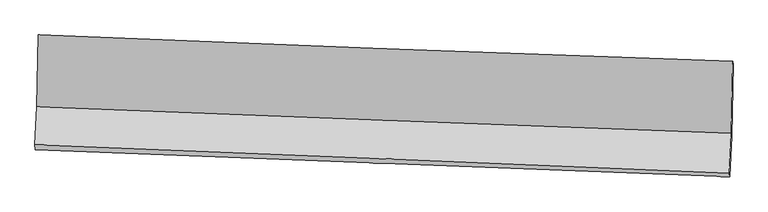
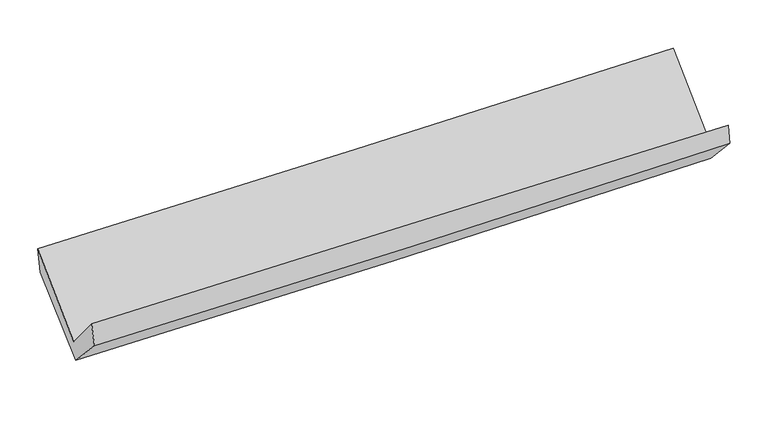
"""IFC4 building model written with IfcOpenShell, lengths in millimetres: proxy geometry."""

import ifcopenshell
import ifcopenshell.guid

model = None  # the IFC model being written
_history = None  # IfcOwnerHistory: only IFC2X3 demands one
_inside = {}  # id of a spatial element -> (the spatial element, [elements in it])
_under = {}  # id of a project, library or spatial element -> (it, [spatial elements below it])
_declared = {}  # id of a project -> (the project, [libraries it declares])
_typed = {}  # id of a type object -> (the type object, [elements of that type])
_made_of = {}  # id of a material, layer set ... -> (it, [elements and type objects made of it])


def new_model(schema):
    """Start an empty IFC model of exactly this schema.

    Asked for "IFC4X3", IfcOpenShell would pick the latest addendum, in which some entities
    have other attributes; the version numbers below select the first issue.
    IFC2X3 requires an IfcOwnerHistory on every rooted entity: one is made here for all.
    """
    global model, _history
    if schema == "IFC4X3":
        model = ifcopenshell.file(schema_version=(4, 3, 0, 0))
    else:
        model = ifcopenshell.file(schema=schema)
    _inside.clear()
    _under.clear()
    _declared.clear()
    _typed.clear()
    _made_of.clear()
    _history = None
    if model.schema == "IFC2X3":
        org = make("IfcOrganization", Name="unknown")
        user = make(
            "IfcPersonAndOrganization",
            ThePerson=make("IfcPerson", FamilyName="unknown"),
            TheOrganization=org,
        )
        app = make(
            "IfcApplication",
            ApplicationDeveloper=org,
            Version="unknown",
            ApplicationFullName="unknown",
            ApplicationIdentifier="unknown",
        )
        _history = make(
            "IfcOwnerHistory",
            OwningUser=user,
            OwningApplication=app,
            ChangeAction="ADDED",
            CreationDate=0,
        )
    return model


def make(cls, **values):
    """One entity of the class cls with the attributes given. An attribute that is None is left unset."""
    return model.create_entity(
        cls, **{name: value for name, value in values.items() if value is not None}
    )


def rooted(cls, **values):
    """An entity with a GlobalId (a new one), such as an element, a storey or a relation."""
    return make(cls, GlobalId=ifcopenshell.guid.new(), OwnerHistory=_history, **values)


def si_unit(unit_type, name, prefix=None):
    """IfcSIUnit, for example si_unit("LENGTHUNIT", "METRE", prefix="MILLI")."""
    return make("IfcSIUnit", UnitType=unit_type, Prefix=prefix, Name=name)


def assignment(units):
    """IfcUnitAssignment: the units of a project."""
    return None if units is None else make("IfcUnitAssignment", Units=units)


def point(xyz):
    """IfcCartesianPoint."""
    return None if xyz is None else make("IfcCartesianPoint", Coordinates=xyz)


def direction(xyz):
    """IfcDirection."""
    return None if xyz is None else make("IfcDirection", DirectionRatios=xyz)


def frame(location, z_axis=None, x_axis=None):
    """IfcAxis2Placement3D, a coordinate frame: its origin and axes. An axis left out is left unset."""
    return make(
        "IfcAxis2Placement3D",
        Location=point(location),
        Axis=direction(z_axis),
        RefDirection=direction(x_axis),
    )


def origin():
    """The frame at (0, 0, 0) with its axes left unset."""
    return frame((0.0, 0.0, 0.0))


def place(relative_to, where):
    """IfcLocalPlacement: puts the frame where relative to a parent placement (None: the world)."""
    return make(
        "IfcLocalPlacement", PlacementRelTo=relative_to, RelativePlacement=where
    )


def context(
    kind, dimensions, precision=None, world=None, true_north=None, identifier=None
):
    """IfcGeometricRepresentationContext, for example the 3D "Model" context."""
    return make(
        "IfcGeometricRepresentationContext",
        ContextIdentifier=identifier,
        ContextType=kind,
        CoordinateSpaceDimension=dimensions,
        Precision=precision,
        WorldCoordinateSystem=world,
        TrueNorth=true_north,
    )


def project(units=None, contexts=None):
    """IfcProject with its units and contexts."""
    return rooted(
        "IfcProject",
        Name="project",
        RepresentationContexts=contexts,
        UnitsInContext=assignment(units),
    )


def spatial(cls, under=None, at=None, **own):
    """A site, building, storey or space (cls), placed at a placement, below another one or the project."""
    s = rooted(cls, ObjectPlacement=at, **own)
    if under is not None:
        _under.setdefault(under.id(), (under, []))[1].append(s)
    return s


def shape(context_of_items, identifier, shape_type, items):
    """IfcShapeRepresentation: the items that make up one representation, for example the "Body"."""
    return make(
        "IfcShapeRepresentation",
        ContextOfItems=context_of_items,
        RepresentationIdentifier=identifier,
        RepresentationType=shape_type,
        Items=items,
    )


def source(mapping_origin, context_of_items, identifier, shape_type, items):
    """IfcRepresentationMap: a shape defined once, which mapped items show again and again."""
    return make(
        "IfcRepresentationMap",
        MappingOrigin=mapping_origin,
        MappedRepresentation=shape(context_of_items, identifier, shape_type, items),
    )


def transform(
    local_origin,
    x_axis=None,
    y_axis=None,
    z_axis=None,
    scale=None,
    scale2=None,
    scale3=None,
    uniform=True,
):
    """IfcCartesianTransformationOperator3D, or its non-uniform kind. x_axis, y_axis, z_axis: its Axis1, 2, 3."""
    if uniform:
        return make(
            "IfcCartesianTransformationOperator3D",
            Axis1=direction(x_axis),
            Axis2=direction(y_axis),
            LocalOrigin=point(local_origin),
            Scale=scale,
            Axis3=direction(z_axis),
        )
    return make(
        "IfcCartesianTransformationOperator3DnonUniform",
        Axis1=direction(x_axis),
        Axis2=direction(y_axis),
        LocalOrigin=point(local_origin),
        Scale=scale,
        Axis3=direction(z_axis),
        Scale2=scale2,
        Scale3=scale3,
    )


def mapped(mapping_source, mapping_target):
    """IfcMappedItem: shows the shape of a source again, moved by a transform."""
    return make(
        "IfcMappedItem", MappingSource=mapping_source, MappingTarget=mapping_target
    )


def made_of(thing, what):
    """Note that an element or type object is made of a material, layer set ...; save() writes the relation."""
    if what is not None:
        _made_of.setdefault(what.id(), (what, []))[1].append(thing)
    return thing


def element(
    cls,
    number,
    at=None,
    inside=None,
    cuts=None,
    type_object=None,
    material=None,
    context=None,
    identifier="Body",
    shape_type=None,
    held_by="IfcProductDefinitionShape",
    body=None,
    shapes=None,
    **own,
):
    """One element of the class cls, such as IfcWall. Its Tag is "e" and its number.

    at: its placement. inside: the storey or other place that contains it. cuts: it is an
    opening in that element (IfcRelVoidsElement). A single representation is given by context,
    identifier, shape_type and body (its items); several are given by shapes. held_by: the class
    of the entity that holds the representations. save() writes the other relations.
    """
    e = rooted(cls, Tag="e%d" % number, ObjectPlacement=at, **own)
    if body is not None:
        shapes = [shape(context, identifier, shape_type, body)]
    if shapes is not None:
        e.Representation = make(held_by, Representations=shapes)
    if inside is not None:
        _inside.setdefault(inside.id(), (inside, []))[1].append(e)
    if cuts is not None:
        rooted(
            "IfcRelVoidsElement", RelatingBuildingElement=cuts, RelatedOpeningElement=e
        )
    if type_object is not None:
        _typed.setdefault(type_object.id(), (type_object, []))[1].append(e)
    return made_of(e, material)


def aggregate(whole, parts):
    """IfcRelAggregates: a whole, such as a stair, and the parts it consists of."""
    return rooted("IfcRelAggregates", RelatingObject=whole, RelatedObjects=parts)


def save(model, path):
    """Write the relations noted so far, then the file.

    IfcRelAggregates (storeys below a building ...), IfcRelContainedInSpatialStructure (elements
    in a storey), IfcRelDefinesByType, IfcRelAssociatesMaterial and IfcRelDeclares: one each for
    every whole, place, type object, material and project.
    """
    for whole, parts in _under.values():
        aggregate(whole, parts)
    for where, things in _inside.values():
        rooted(
            "IfcRelContainedInSpatialStructure",
            RelatedElements=things,
            RelatingStructure=where,
        )
    for kind, things in _typed.values():
        rooted("IfcRelDefinesByType", RelatedObjects=things, RelatingType=kind)
    for what, things in _made_of.values():
        rooted("IfcRelAssociatesMaterial", RelatedObjects=things, RelatingMaterial=what)
    for by, libraries in _declared.values():
        rooted("IfcRelDeclares", RelatingContext=by, RelatedDefinitions=libraries)
    model.write(path)


def plane_surface(at):
    """IfcPlane: the flat surface through the origin of the frame at, square to its z axis."""
    return make("IfcPlane", Position=at)


def spline_curve(degree, points, multiplicities, knots, weights=None):
    """IfcBSplineCurveWithKnots; with weights, IfcRationalBSplineCurveWithKnots."""
    own = dict(
        Degree=degree,
        ControlPointsList=[point(p) for p in points],
        CurveForm="UNSPECIFIED",
        ClosedCurve=False,
        SelfIntersect=False,
        KnotMultiplicities=multiplicities,
        Knots=knots,
        KnotSpec="UNSPECIFIED",
    )
    if weights is None:
        return make("IfcBSplineCurveWithKnots", **own)
    return make("IfcRationalBSplineCurveWithKnots", WeightsData=weights, **own)


def spline_surface(u_degree, v_degree, points, u_multiplicities, v_multiplicities, u_knots, v_knots, weights=None):
    """IfcBSplineSurfaceWithKnots; with weights, IfcRationalBSplineSurfaceWithKnots. points: one row for each step in u."""
    own = dict(
        UDegree=u_degree,
        VDegree=v_degree,
        ControlPointsList=[[point(p) for p in row] for row in points],
        SurfaceForm="UNSPECIFIED",
        UClosed=False,
        VClosed=False,
        SelfIntersect=False,
        UMultiplicities=u_multiplicities,
        VMultiplicities=v_multiplicities,
        UKnots=u_knots,
        VKnots=v_knots,
        KnotSpec="UNSPECIFIED",
    )
    if weights is None:
        return make("IfcBSplineSurfaceWithKnots", **own)
    return make("IfcRationalBSplineSurfaceWithKnots", WeightsData=weights, **own)


def advanced_brep(points, edges, surfaces, faces):
    """IfcAdvancedBrep: a solid bounded by faces that lie on surfaces and meet in shared edges.

    An edge is (start, end): straight between two places in points (the first is 0);
    or (start, end, curve); or (start, end, curve, False) where it runs against its curve.
    A face is (place in surfaces, loops), or (place, loops, False) where it looks against
    its surface's normal. A loop lists edges by number (the first is 1), with a minus sign
    where the edge is run from its end to its start. The first loop is the outer one.
    """
    corners = [point(p) for p in points]
    vertices = [make("IfcVertexPoint", VertexGeometry=c) for c in corners]
    made = []
    for start, end, *more in edges:
        made.append(
            make(
                "IfcEdgeCurve",
                EdgeStart=vertices[start],
                EdgeEnd=vertices[end],
                EdgeGeometry=more[0] if more else make("IfcPolyline", Points=[corners[start], corners[end]]),
                SameSense=more[1] if len(more) > 1 else True,
            )
        )
    hull = []
    for where, loops, *sense in faces:
        bounds = []
        for j, loop in enumerate(loops):
            ring = [make("IfcOrientedEdge", EdgeElement=made[abs(k) - 1], Orientation=k > 0) for k in loop]
            bounds.append(
                make(
                    "IfcFaceOuterBound" if j == 0 else "IfcFaceBound",
                    Bound=make("IfcEdgeLoop", EdgeList=ring),
                    Orientation=True,
                )
            )
        hull.append(make("IfcAdvancedFace", Bounds=bounds, FaceSurface=surfaces[where], SameSense=sense[0] if sense else True))
    return make("IfcAdvancedBrep", Outer=make("IfcClosedShell", CfsFaces=hull))


def generic_models_ab0d34e5(model_context):
    return source(origin(), model_context, "Body", "AdvancedBrep", [
        advanced_brep(
        [(-2398.4981155, -1125.2462024, 2207.6158639), (-2406.3552231, -1620.1686472, 1752.3043745), (2393.6444431, -1803.6365381, 1826.0863349), (2402.8262949, -1306.9509174, 2272.9085235), (-2420.5279636, -1884.4142235, 2062.6391472), (2379.2137844, -2083.0078714, 2123.4927084), (-2418.751937, -1917.2359431, 1905.0325689), (2380.6682522, -2105.2623583, 1992.9774829), (-2404.8108411, -1647.3423351, 1617.7157629), (2395.1395, -1825.1052381, 1694.7345954), (-2396.265778, -1152.7041051, 2034.356905), (2404.7605369, -1330.5025899, 2111.3945214)],
        [
            (0, 1),
            (1, 2, spline_curve(3, [(-2406.3552231, -1620.1686472, 1752.3043745), (-1606.321494431, -1653.369051353, 1760.79410785), (-806.266162837, -1685.25958974, 1771.188246173), (793.733734489, -1746.415049311, 1795.782965813), (1593.678291427, -1775.680474673, 1809.982814262), (2393.6444431, -1803.6365381, 1826.0863349)], [4, 2, 4], [0.0, 7.882401170841711, 15.763285399764321])),
            (2, 3),
            (3, 0, spline_curve(3, [(2402.8262949, -1306.9509174, 2272.9085235), (1602.618110764, -1279.890201493, 2261.05695978), (802.442151702, -1251.219396052, 2249.690599932), (-797.999330945, -1190.651777768, 2227.926193423), (-1598.264842006, -1158.754344691, 2217.528333351), (-2398.4981155, -1125.2462024, 2207.6158639)], [4, 2, 4], [0.0, 7.88088422892261, 15.763285399764321])),
            (1, 4),
            (4, 5, spline_curve(3, [(-2420.5279636, -1884.4142235, 2062.6391472), (-1620.438810296, -1915.093348104, 2073.284455806), (-820.377266338, -1946.9840899, 2083.678704087), (779.536639265, -2013.182439061, 2103.96312809), (1579.38901123, -2047.489579423, 2113.853399971), (2379.2137844, -2083.0078714, 2123.4927084)], [4, 2, 4], [0.0, 7.881573412501371, 15.761630042382984])),
            (5, 2),
            (4, 6),
            (6, 7, spline_curve(3, [(-2418.751937, -1917.2359431, 1905.0325689), (-1618.691589909, -1949.674078124, 1911.159888962), (-818.671249471, -1981.563468626, 1921.553407737), (781.135464713, -2044.238728971, 1950.870021049), (1580.921853949, -2075.024810327, 1969.791473596), (2380.6682522, -2105.2623583, 1992.9774829)], [4, 2, 4], [0.0, 7.88144525570192, 15.761373753447433])),
            (7, 5),
            (6, 8),
            (8, 9, spline_curve(3, [(-2404.8108411, -1647.3423351, 1617.7157629), (-1604.838878232, -1681.491549204, 1625.664622507), (-804.818537795, -1713.380939742, 1636.05814104), (795.164927828, -1772.634371146, 1661.732026095), (1595.128034251, -1799.999281614, 1677.011451722), (2395.1395, -1825.1052381, 1694.7345954)], [4, 2, 4], [0.0, 7.881229462959029, 15.760942209490246])),
            (9, 7),
            (8, 10),
            (10, 11, spline_curve(3, [(-2396.265778, -1152.7041051, 2034.356905), (-1596.069478017, -1186.860630764, 2042.309781685), (-795.84729804, -1218.756642141, 2052.706874419), (804.494816759, -1278.021933806, 2078.387020714), (1604.614741765, -1305.39208383, 2093.669133227), (2404.7605369, -1330.5025899, 2111.3945214)], [4, 2, 4], [0.0, 7.882066824151639, 15.762616770728087])),
            (11, 9),
            (10, 0),
            (3, 11),
        ],
        [
            spline_surface(3, 3, [[(-2398.4981155, -1125.2462024, 2207.6158639), (-1598.264841983, -1158.754344748, 2217.52833337), (-797.999330888, -1190.651777693, 2227.92619333), (802.442151645, -1251.219396128, 2249.690600025), (1602.618110696, -1279.89020153, 2261.056959886), (2402.8262949, -1306.9509174, 2272.9085235)], [(-2401.117151379, -1290.220350676, 2055.845367448), (-1600.950392796, -1323.625913665, 2065.283591531), (-800.754941498, -1355.521048401, 2075.680210914), (799.53934588, -1416.284613867, 2098.388055285), (1599.638170936, -1445.153625913, 2110.698911359), (2399.765677644, -1472.512790985, 2123.967793958)], [(-2403.736187221, -1455.194498924, 1904.074870952), (-1603.63594357, -1488.497482553, 1913.038849648), (-803.510552097, -1520.390319054, 1923.434228548), (796.636540124, -1581.34983155, 1947.085510594), (1596.658231142, -1610.417050241, 1960.340862859), (2396.705060356, -1638.074664515, 1975.027064442)], [(-2406.3552231, -1620.1686472, 1752.3043745), (-1606.321494382, -1653.36905147, 1760.79410781), (-806.266162706, -1685.259589763, 1771.188246132), (793.733734358, -1746.415049288, 1795.782965854), (1593.678291381, -1775.680474624, 1809.982814333), (2393.6444431, -1803.6365381, 1826.0863349)]], [4, 4], [4, 2, 4], [0.0, 2.2065174010375905], [0.0, 7.882401170841711, 15.763285399764321]),
            spline_surface(3, 3, [[(-2406.3552231, -1620.1686472, 1752.3043745), (-1606.321494382, -1653.36905147, 1760.79410781), (-806.266162706, -1685.259589763, 1771.188246132), (793.733734358, -1746.415049288, 1795.782965854), (1593.678291381, -1775.680474624, 1809.982814333), (2393.6444431, -1803.6365381, 1826.0863349)], [(-2411.079469913, -1708.250505951, 1855.74929873), (-1611.027266321, -1740.610483627, 1864.957557164), (-810.969863874, -1772.501089849, 1875.351732155), (789.001369288, -1835.337512512, 1898.509686563), (1588.91519795, -1866.283509588, 1911.273009575), (2388.834223519, -1896.760315857, 1925.221792735)], [(-2415.803716787, -1796.332364749, 1959.19422297), (-1615.733038322, -1827.851915831, 1969.121006528), (-815.673565047, -1859.742589925, 1979.515218175), (784.269004212, -1924.259975726, 2001.23640727), (1584.152104561, -1956.886544582, 2012.563204814), (2384.024003981, -1989.884093643, 2024.357250565)], [(-2420.5279636, -1884.4142235, 2062.6391472), (-1620.438810262, -1915.093347989, 2073.284455883), (-820.377266215, -1946.98409001, 2083.678704198), (779.536639142, -2013.182438951, 2103.963127979), (1579.38901113, -2047.489579546, 2113.853400057), (2379.2137844, -2083.0078714, 2123.4927084)]], [4, 4], [4, 2, 4], [0.0, 1.3380609516798092], [0.0, 7.881573412501371, 15.761630042382984]),
            spline_surface(3, 3, [[(-2420.5279636, -1884.4142235, 2062.6391472), (-1620.438810262, -1915.093347989, 2073.284455883), (-820.377266215, -1946.98409001, 2083.678704198), (779.536639142, -2013.182438951, 2103.963127979), (1579.38901113, -2047.489579546, 2113.853400057), (2379.2137844, -2083.0078714, 2123.4927084)], [(-2419.935954743, -1895.35479672, 2010.103621114), (-1619.856403529, -1926.620258033, 2019.242933625), (-819.808593989, -1958.510549514, 2029.636938737), (780.069581031, -2023.534535658, 2052.932092323), (1579.899958779, -2056.667989825, 2065.832757908), (2379.698607017, -2090.426033716, 2079.98763323)], [(-2419.343945857, -1906.29536988, 1957.568094986), (-1619.273996767, -1938.147168017, 1965.201411325), (-819.239921778, -1970.03700902, 1975.595173257), (780.602522905, -2033.886632366, 2001.901056646), (1580.410906376, -2065.846400056, 2017.812115769), (2380.183429583, -2097.844195984, 2036.48255807)], [(-2418.751937, -1917.2359431, 1905.0325689), (-1618.691590035, -1949.674078061, 1911.159889067), (-818.671249552, -1981.563468524, 1921.553407796), (781.135464795, -2044.238729073, 1950.87002099), (1580.921854025, -2075.024810336, 1969.79147362), (2380.6682522, -2105.2623583, 1992.9774829)]], [4, 4], [4, 2, 4], [0.0, 0.5282121401971146], [0.0, 7.88144525570192, 15.761373753447433]),
            spline_surface(3, 3, [[(-2418.751937, -1917.2359431, 1905.0325689), (-1618.691590035, -1949.674078061, 1911.159889067), (-818.671249552, -1981.563468524, 1921.553407796), (781.135464795, -2044.238729073, 1950.87002099), (1580.921854025, -2075.024810336, 1969.79147362), (2380.6682522, -2105.2623583, 1992.9774829)], [(-2414.10490503, -1827.271407105, 1809.260300211), (-1614.074019453, -1860.279901824, 1815.994800166), (-814.05367897, -1892.169292287, 1826.388318896), (785.811952481, -1953.703943085, 1854.490689361), (1585.657247477, -1983.349634102, 1872.19813294), (2385.492001468, -2011.876651569, 1893.563187057)], [(-2409.45787307, -1737.306871095, 1713.488031589), (-1609.45644888, -1770.885725571, 1720.829711334), (-809.436108396, -1802.775116034, 1731.223229964), (790.48844016, -1863.16915708, 1758.111357701), (1590.392640926, -1891.67445786, 1774.60479229), (2390.315750732, -1918.490944831, 1794.148891243)], [(-2404.8108411, -1647.3423351, 1617.7157629), (-1604.838878298, -1681.491549335, 1625.664622434), (-804.818537813, -1713.380939797, 1636.058141063), (795.164927847, -1772.634371091, 1661.732026072), (1595.128034379, -1799.999281626, 1677.01145161), (2395.1395, -1825.1052381, 1694.7345954)]], [4, 4], [4, 2, 4], [0.0, 1.2941126947162709], [0.0, 7.881229462959029, 15.760942209490246]),
            spline_surface(3, 3, [[(-2404.8108411, -1647.3423351, 1617.7157629), (-1604.838878298, -1681.491549335, 1625.664622434), (-804.818537813, -1713.380939797, 1636.058141063), (795.164927847, -1772.634371091, 1661.732026072), (1595.128034379, -1799.999281626, 1677.01145161), (2395.1395, -1825.1052381, 1694.7345954)], [(-2401.962486738, -1482.462925072, 1756.596143591), (-1601.915744898, -1516.614576426, 1764.5463422), (-801.828124579, -1548.506173904, 1774.941052181), (798.27489084, -1607.763558642, 1800.617024242), (1598.290270183, -1635.130215694, 1815.897345539), (2398.346512296, -1660.23768867, 1833.62123742)], [(-2399.114132362, -1317.583515128, 1895.476524309), (-1598.992611483, -1351.7376036, 1903.428061994), (-798.837711343, -1383.631408054, 1913.823963365), (801.384853834, -1442.892746235, 1939.502022479), (1601.452505998, -1470.261149851, 1954.783239408), (2401.553524604, -1495.37013933, 1972.50787938)], [(-2396.265778, -1152.7041051, 2034.356905), (-1596.069478083, -1186.860630691, 2042.309781761), (-795.847298109, -1218.756642161, 2052.706874483), (804.494816828, -1278.021933786, 2078.38702065), (1604.614741801, -1305.392083919, 2093.669133337), (2404.7605369, -1330.5025899, 2111.3945214)]], [4, 4], [4, 2, 4], [0.0, 2.1219954997860864], [0.0, 7.882066824151639, 15.762616770728087]),
            spline_surface(3, 3, [[(-2396.265778, -1152.7041051, 2034.356905), (-1596.069478083, -1186.860630691, 2042.309781761), (-795.847298109, -1218.756642161, 2052.706874483), (804.494816828, -1278.021933786, 2078.38702065), (1604.614741801, -1305.392083919, 2093.669133337), (2404.7605369, -1330.5025899, 2111.3945214)], [(-2397.009890496, -1143.551470875, 2092.109891306), (-1596.801266046, -1177.491868718, 2100.715965637), (-796.564642375, -1209.388353992, 2111.113314119), (803.810595094, -1269.087754554, 2135.488213796), (1603.949198088, -1296.891456459, 2149.465075521), (2404.115789555, -1322.652032403, 2165.232522101)], [(-2397.754003004, -1134.398836625, 2149.862877594), (-1597.533054021, -1168.123106721, 2159.122149494), (-797.281986622, -1200.020065861, 2169.519753693), (803.126373379, -1260.15357536, 2192.589406879), (1603.28365441, -1288.39082899, 2205.261017702), (2403.471042245, -1314.801474897, 2219.070522799)], [(-2398.4981155, -1125.2462024, 2207.6158639), (-1598.264841983, -1158.754344748, 2217.52833337), (-797.999330888, -1190.651777693, 2227.92619333), (802.442151645, -1251.219396128, 2249.690600025), (1602.618110696, -1279.89020153, 2261.056959886), (2402.8262949, -1306.9509174, 2272.9085235)]], [4, 4], [4, 2, 4], [0.0, 0.5755774533322666], [0.0, 7.8831274199282015, 15.764737758173078]),
            plane_surface(frame((2392.7088019, -1742.4109189, 2003.5990278), z_axis=(0.9992910927884138, -0.033653572911767654, 0.016874504555990093), x_axis=(0.014875187839801317, 0.764710434511135, 0.6442023596173193))),
            plane_surface(frame((-2407.5349764, -1557.8519094, 1929.9441037), z_axis=(-0.9993113233243905, 0.03243898280142652, -0.018016422243726925), x_axis=(0.012724554068509487, -0.15651287905824646, -0.987593947132452))),
        ],
        [
            (0, [[1, 2, 3, 4]]),
            (1, [[5, 6, 7, -2]]),
            (2, [[8, 9, 10, -6]]),
            (3, [[11, 12, 13, -9]]),
            (4, [[14, 15, 16, -12]]),
            (5, [[17, -4, 18, -15]]),
            (6, [[-16, -18, -3, -7, -10, -13]]),
            (7, [[-17, -14, -11, -8, -5, -1]]),
        ],
    ),
    ])


if __name__ == "__main__":
    model = new_model("IFC4")
    model_context = context("Model", 3, world=origin())
    ifc_project = project(units=[si_unit("LENGTHUNIT", "METRE", prefix="MILLI")], contexts=[model_context])
    site = spatial("IfcSite", under=ifc_project)
    building = spatial("IfcBuilding", under=site)
    placement = place(None, origin())
    generic_models_shape = generic_models_ab0d34e5(model_context)
    element("IfcBuildingElementProxy", 1, Name="Generic Models", at=placement, inside=building, context=model_context, shape_type="MappedRepresentation", body=[
        mapped(generic_models_shape, transform((0.0, 0.0, 0.0), x_axis=(1.0, 0.0, 0.0), y_axis=(0.0, 1.0, 0.0), z_axis=(0.0, 0.0, 1.0))),
    ])
    save(model, "model.ifc")
